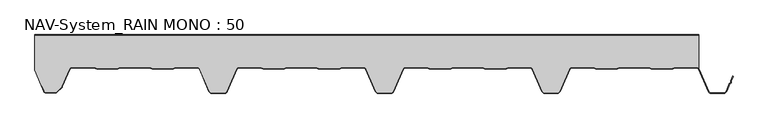
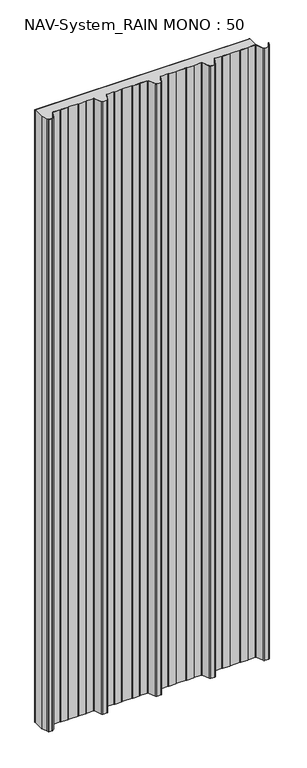
"""IFC4 building model written with IfcOpenShell, lengths in millimetres: plate geometry, NAV-System_RAIN MONO : 50."""

from ifc_helpers import new_model, si_unit, point, frame_2d, origin, origin_with_axes, place, context, project, spatial, polyline, circle_curve, trimmed, segment, composite_curve, outline, extrude, source, transform, mapped, element, save


def nav_system_rain_mono_50_79c97c6f(model_context):
    return source(origin(), model_context, "Body", "SweptSolid", [
        extrude(outline(polyline([(519.0, -0.8), (-478.0, -0.8), (-478.0, 0.0), (519.0, 0.0), (519.0, -0.8)])), origin_with_axes(), (0.0, 0.0, 1.0), 3000.0),
        extrude(outline(composite_curve([segment(trimmed(circle_curve(frame_2d((515.5898022, -54.0)), 4.8), [point((519.0, -50.6220493))], [point((515.5898022, -49.2))], True, "CARTESIAN"), True, "CONTINUOUS"), segment(polyline([(515.5898022, -49.2), (483.6922468, -49.2), (479.6508228, -50.7), (448.0723788, -50.6741102), (444.1768702, -49.2), (400.3589135, -49.2), (396.3174895, -50.7), (364.7390455, -50.6741102), (360.8435369, -49.2), (328.9416341, -49.2)]), True, "CONTINUOUS"), segment(trimmed(circle_curve(frame_2d((328.9416341, -54.0)), 4.8), [point((328.9416341, -49.2))], [point((324.5314363, -52.1052295))], True, "CARTESIAN"), True, "CONTINUOUS"), segment(polyline([(324.5314363, -52.1052295), (310.330878, -85.1579242)]), True, "CONTINUOUS"), segment(trimmed(circle_curve(frame_2d((306.4719549, -83.5)), 4.2), [point((310.330878, -85.1579242))], [point((306.4719549, -87.7))], False, "CARTESIAN"), True, "CONTINUOUS"), segment(polyline([(306.4719549, -87.7), (288.0594814, -87.7)]), True, "CONTINUOUS"), segment(trimmed(circle_curve(frame_2d((288.0594814, -83.5)), 4.2), [point((288.0594814, -87.7))], [point((284.2005583, -85.1579242))], False, "CARTESIAN"), True, "CONTINUOUS"), segment(polyline([(284.2005583, -85.1579242), (270.0, -52.1052295)]), True, "CONTINUOUS"), segment(trimmed(circle_curve(frame_2d((265.5898022, -54.0)), 4.8), [point((270.0, -52.1052295))], [point((265.5898022, -49.2))], True, "CARTESIAN"), True, "CONTINUOUS"), segment(polyline([(265.5898022, -49.2), (233.6922468, -49.2), (229.6508228, -50.7), (198.0723788, -50.6741102), (194.1768702, -49.2), (150.3589135, -49.2), (146.3174895, -50.7), (114.8074622, -50.7), (110.8435369, -49.2), (78.9416341, -49.2)]), True, "CONTINUOUS"), segment(trimmed(circle_curve(frame_2d((78.9416341, -54.0)), 4.8), [point((78.9416341, -49.2))], [point((74.5314363, -52.1052295))], True, "CARTESIAN"), True, "CONTINUOUS"), segment(polyline([(74.5314363, -52.1052295), (60.330878, -85.1579242)]), True, "CONTINUOUS"), segment(trimmed(circle_curve(frame_2d((56.4719549, -83.5)), 4.2), [point((60.330878, -85.1579242))], [point((56.4719549, -87.7))], False, "CARTESIAN"), True, "CONTINUOUS"), segment(polyline([(56.4719549, -87.7), (38.0594814, -87.7)]), True, "CONTINUOUS"), segment(trimmed(circle_curve(frame_2d((38.0594814, -83.5)), 4.2), [point((38.0594814, -87.7))], [point((34.2005583, -85.1579242))], False, "CARTESIAN"), True, "CONTINUOUS"), segment(polyline([(34.2005583, -85.1579242), (20.0, -52.1052295)]), True, "CONTINUOUS"), segment(trimmed(circle_curve(frame_2d((15.5898022, -54.0)), 4.8), [point((20.0, -52.1052295))], [point((15.5898022, -49.2))], True, "CARTESIAN"), True, "CONTINUOUS"), segment(polyline([(15.5898022, -49.2), (-16.3077532, -49.2), (-20.3491772, -50.7), (-51.9276212, -50.6741102), (-55.8231298, -49.2), (-99.6410865, -49.2), (-103.6825105, -50.7), (-135.1925378, -50.7), (-139.1564631, -49.2), (-171.0583659, -49.2)]), True, "CONTINUOUS"), segment(trimmed(circle_curve(frame_2d((-171.0583659, -54.0)), 4.8), [point((-171.0583659, -49.2))], [point((-175.4685637, -52.1052295))], True, "CARTESIAN"), True, "CONTINUOUS"), segment(polyline([(-175.4685637, -52.1052295), (-189.669122, -85.1579242)]), True, "CONTINUOUS"), segment(trimmed(circle_curve(frame_2d((-193.5280451, -83.5)), 4.2), [point((-189.669122, -85.1579242))], [point((-193.5280451, -87.7))], False, "CARTESIAN"), True, "CONTINUOUS"), segment(polyline([(-193.5280451, -87.7), (-211.9405186, -87.7)]), True, "CONTINUOUS"), segment(trimmed(circle_curve(frame_2d((-211.9405186, -83.5)), 4.2), [point((-211.9405186, -87.7))], [point((-215.7994417, -85.1579242))], False, "CARTESIAN"), True, "CONTINUOUS"), segment(polyline([(-215.7994417, -85.1579242), (-230.0, -52.1052295)]), True, "CONTINUOUS"), segment(trimmed(circle_curve(frame_2d((-234.4101978, -54.0)), 4.8), [point((-230.0, -52.1052295))], [point((-234.4101978, -49.2))], True, "CARTESIAN"), True, "CONTINUOUS"), segment(polyline([(-234.4101978, -49.2), (-266.3077532, -49.2), (-270.3491772, -50.7), (-301.9276212, -50.6741102), (-305.8231298, -49.2), (-349.6410865, -49.2), (-353.6825105, -50.7), (-385.1925378, -50.7), (-389.1564631, -49.2), (-421.9290751, -49.2)]), True, "CONTINUOUS"), segment(trimmed(circle_curve(frame_2d((-421.9290751, -54.0)), 4.8), [point((-421.9290751, -49.2))], [point((-426.3392729, -52.1052295))], True, "CARTESIAN"), True, "CONTINUOUS"), segment(polyline([(-426.3392729, -52.1052295), (-437.4245651, -77.9069459)]), True, "CONTINUOUS"), segment(trimmed(circle_curve(frame_2d((-441.2834882, -76.2490217)), 4.2), [point((-437.4245651, -77.9069459))], [point((-438.3136397, -79.2188701))], False, "CARTESIAN"), True, "CONTINUOUS"), segment(polyline([(-438.3136397, -79.2188701), (-444.764618, -85.6698485)]), True, "CONTINUOUS"), segment(trimmed(circle_curve(frame_2d((-447.7344665, -82.7)), 4.2), [point((-444.764618, -85.6698485))], [point((-447.7344665, -86.9))], False, "CARTESIAN"), True, "CONTINUOUS"), segment(polyline([(-447.7344665, -86.9), (-461.1405186, -86.9)]), True, "CONTINUOUS"), segment(trimmed(circle_curve(frame_2d((-461.1405186, -83.7)), 3.2), [point((-461.1405186, -86.9))], [point((-464.1022482, -84.9116756))], False, "CARTESIAN"), True, "CONTINUOUS"), segment(polyline([(-464.1022482, -84.9116756), (-467.6292254, -76.2905951), (-468.3696578, -76.593514), (-478.0, -53.053822), (-478.0, -0.8), (519.0, -0.8), (519.0, -50.6220493)]), True, "CONTINUOUS")], self_intersect=False)), origin_with_axes(), (0.0, 0.0, 1.0), 3000.0),
        extrude(outline(composite_curve([segment(polyline([(-464.8430228, -85.2145945), (-468.37, -76.593514), (-467.6295676, -76.2905951), (-464.1025904, -84.9116756)]), True, "CONTINUOUS"), segment(trimmed(circle_curve(frame_2d((-461.1408608, -83.7)), 3.2), [point((-464.1025904, -84.9116756))], [point((-461.1408608, -86.9))], True, "CARTESIAN"), True, "CONTINUOUS"), segment(polyline([(-461.1408608, -86.9), (-447.7348087, -86.9)]), True, "CONTINUOUS"), segment(trimmed(circle_curve(frame_2d((-447.7348087, -82.7)), 4.2), [point((-447.7348087, -86.9))], [point((-444.7649603, -85.6698485))], True, "CARTESIAN"), True, "CONTINUOUS"), segment(polyline([(-444.7649603, -85.6698485), (-438.3139819, -79.2188701)]), True, "CONTINUOUS"), segment(trimmed(circle_curve(frame_2d((-441.2838304, -76.2490217)), 4.2), [point((-438.3139819, -79.2188701))], [point((-437.4249073, -77.9069459))], True, "CARTESIAN"), True, "CONTINUOUS"), segment(polyline([(-437.4249073, -77.9069459), (-426.3396151, -52.1052295)]), True, "CONTINUOUS"), segment(trimmed(circle_curve(frame_2d((-421.9294173, -54.0)), 4.8), [point((-426.3396151, -52.1052295))], [point((-421.9294173, -49.2))], False, "CARTESIAN"), True, "CONTINUOUS"), segment(polyline([(-421.9294173, -49.2), (-389.1568054, -49.2), (-385.19288, -50.7), (-353.6828527, -50.7), (-349.6414287, -49.2), (-305.8234721, -49.2), (-301.9279634, -50.6741102), (-270.3495194, -50.7), (-266.3080954, -49.2), (-234.41054, -49.2)]), True, "CONTINUOUS"), segment(trimmed(circle_curve(frame_2d((-234.41054, -54.0)), 4.8), [point((-234.41054, -49.2))], [point((-230.0003422, -52.1052295))], False, "CARTESIAN"), True, "CONTINUOUS"), segment(polyline([(-230.0003422, -52.1052295), (-215.7997839, -85.1579242)]), True, "CONTINUOUS"), segment(trimmed(circle_curve(frame_2d((-211.9408608, -83.5)), 4.2), [point((-215.7997839, -85.1579242))], [point((-211.9408608, -87.7))], True, "CARTESIAN"), True, "CONTINUOUS"), segment(polyline([(-211.9408608, -87.7), (-193.5283873, -87.7)]), True, "CONTINUOUS"), segment(trimmed(circle_curve(frame_2d((-193.5283873, -83.5)), 4.2), [point((-193.5283873, -87.7))], [point((-189.6694642, -85.1579242))], True, "CARTESIAN"), True, "CONTINUOUS"), segment(polyline([(-189.6694642, -85.1579242), (-175.4689059, -52.1052295)]), True, "CONTINUOUS"), segment(trimmed(circle_curve(frame_2d((-171.0587081, -54.0)), 4.8), [point((-175.4689059, -52.1052295))], [point((-171.0587081, -49.2))], False, "CARTESIAN"), True, "CONTINUOUS"), segment(polyline([(-171.0587081, -49.2), (-139.1568054, -49.2), (-135.2612967, -50.6741102), (-103.6828527, -50.7), (-99.6414287, -49.2), (-55.8234721, -49.2), (-51.9279634, -50.6741102), (-20.3495194, -50.7), (-16.3080954, -49.2), (15.58946, -49.2)]), True, "CONTINUOUS"), segment(trimmed(circle_curve(frame_2d((15.58946, -54.0)), 4.8), [point((15.58946, -49.2))], [point((19.9996578, -52.1052295))], False, "CARTESIAN"), True, "CONTINUOUS"), segment(polyline([(19.9996578, -52.1052295), (34.2002161, -85.1579242)]), True, "CONTINUOUS"), segment(trimmed(circle_curve(frame_2d((38.0591392, -83.5)), 4.2), [point((34.2002161, -85.1579242))], [point((38.0591392, -87.7))], True, "CARTESIAN"), True, "CONTINUOUS"), segment(polyline([(38.0591392, -87.7), (56.4716127, -87.7)]), True, "CONTINUOUS"), segment(trimmed(circle_curve(frame_2d((56.4716127, -83.5)), 4.2), [point((56.4716127, -87.7))], [point((60.3305358, -85.1579242))], True, "CARTESIAN"), True, "CONTINUOUS"), segment(polyline([(60.3305358, -85.1579242), (74.5310941, -52.1052295)]), True, "CONTINUOUS"), segment(trimmed(circle_curve(frame_2d((78.9412919, -54.0)), 4.8), [point((74.5310941, -52.1052295))], [point((78.9412919, -49.2))], False, "CARTESIAN"), True, "CONTINUOUS"), segment(polyline([(78.9412919, -49.2), (110.8431946, -49.2), (114.7387033, -50.6741102), (146.3171473, -50.7), (150.3585713, -49.2), (194.1765279, -49.2), (198.0720366, -50.6741102), (229.6504806, -50.7), (233.6919046, -49.2), (265.58946, -49.2)]), True, "CONTINUOUS"), segment(trimmed(circle_curve(frame_2d((265.58946, -54.0)), 4.8), [point((265.58946, -49.2))], [point((269.9996578, -52.1052295))], False, "CARTESIAN"), True, "CONTINUOUS"), segment(polyline([(269.9996578, -52.1052295), (284.2002161, -85.1579242)]), True, "CONTINUOUS"), segment(trimmed(circle_curve(frame_2d((288.0591392, -83.5)), 4.2), [point((284.2002161, -85.1579242))], [point((288.0591392, -87.7))], True, "CARTESIAN"), True, "CONTINUOUS"), segment(polyline([(288.0591392, -87.7), (306.4716127, -87.7)]), True, "CONTINUOUS"), segment(trimmed(circle_curve(frame_2d((306.4716127, -83.5)), 4.2), [point((306.4716127, -87.7))], [point((310.3305358, -85.1579242))], True, "CARTESIAN"), True, "CONTINUOUS"), segment(polyline([(310.3305358, -85.1579242), (324.5310941, -52.1052295)]), True, "CONTINUOUS"), segment(trimmed(circle_curve(frame_2d((328.9412919, -54.0)), 4.8), [point((324.5310941, -52.1052295))], [point((328.9412919, -49.2))], False, "CARTESIAN"), True, "CONTINUOUS"), segment(polyline([(328.9412919, -49.2), (360.8431946, -49.2), (364.7387033, -50.6741102), (396.3171473, -50.7), (400.3585713, -49.2), (444.1765279, -49.2), (448.0720366, -50.6741102), (479.6504806, -50.7), (483.6919046, -49.2), (515.58946, -49.2)]), True, "CONTINUOUS"), segment(trimmed(circle_curve(frame_2d((515.58946, -54.0)), 4.8), [point((515.58946, -49.2))], [point((519.9996578, -52.1052295))], False, "CARTESIAN"), True, "CONTINUOUS"), segment(polyline([(519.9996578, -52.1052295), (534.2002161, -85.1579242)]), True, "CONTINUOUS"), segment(trimmed(circle_curve(frame_2d((538.0591392, -83.5)), 4.2), [point((534.2002161, -85.1579242))], [point((538.0591392, -87.7))], True, "CARTESIAN"), True, "CONTINUOUS"), segment(polyline([(538.0591392, -87.7), (556.4716127, -87.7)]), True, "CONTINUOUS"), segment(trimmed(circle_curve(frame_2d((556.4716127, -83.5)), 4.2), [point((556.4716127, -87.7))], [point((560.3305358, -85.1579242))], True, "CARTESIAN"), True, "CONTINUOUS"), segment(polyline([(560.3305358, -85.1579242), (565.2356202, -73.741031), (567.1121268, -72.0654564), (567.0358547, -69.5508717), (570.0831709, -62.458051), (570.8182039, -62.7738461), (567.8408612, -69.703799), (567.9230626, -72.4138642), (565.9006789, -74.2196957), (561.0655687, -85.4737193)]), True, "CONTINUOUS"), segment(trimmed(circle_curve(frame_2d((556.4716127, -83.5)), 5.0), [point((561.0655687, -85.4737193))], [point((556.4716127, -88.5))], False, "CARTESIAN"), True, "CONTINUOUS"), segment(polyline([(556.4716127, -88.5), (538.0591392, -88.5)]), True, "CONTINUOUS"), segment(trimmed(circle_curve(frame_2d((538.0591392, -83.5)), 5.0), [point((538.0591392, -88.5))], [point((533.4651831, -85.4737193))], False, "CARTESIAN"), True, "CONTINUOUS"), segment(polyline([(533.4651831, -85.4737193), (519.2646248, -52.4210246)]), True, "CONTINUOUS"), segment(trimmed(circle_curve(frame_2d((515.58946, -54.0)), 4.0), [point((519.2646248, -52.4210246))], [point((515.58946, -50.0))], True, "CARTESIAN"), True, "CONTINUOUS"), segment(polyline([(515.58946, -50.0), (483.8338601, -50.0), (479.8699347, -51.5), (447.9941505, -51.5), (444.0302251, -50.0), (400.5005268, -50.0), (396.5366014, -51.5), (364.6608172, -51.5), (360.6968918, -50.0), (328.9412919, -50.0)]), True, "CONTINUOUS"), segment(trimmed(circle_curve(frame_2d((328.9412919, -54.0)), 4.0), [point((328.9412919, -50.0))], [point((325.2661271, -52.4210246))], True, "CARTESIAN"), True, "CONTINUOUS"), segment(polyline([(325.2661271, -52.4210246), (311.0655687, -85.4737193)]), True, "CONTINUOUS"), segment(trimmed(circle_curve(frame_2d((306.4716127, -83.5)), 5.0), [point((311.0655687, -85.4737193))], [point((306.4716127, -88.5))], False, "CARTESIAN"), True, "CONTINUOUS"), segment(polyline([(306.4716127, -88.5), (288.0591392, -88.5)]), True, "CONTINUOUS"), segment(trimmed(circle_curve(frame_2d((288.0591392, -83.5)), 5.0), [point((288.0591392, -88.5))], [point((283.4651831, -85.4737193))], False, "CARTESIAN"), True, "CONTINUOUS"), segment(polyline([(283.4651831, -85.4737193), (269.2646248, -52.4210246)]), True, "CONTINUOUS"), segment(trimmed(circle_curve(frame_2d((265.58946, -54.0)), 4.0), [point((269.2646248, -52.4210246))], [point((265.58946, -50.0))], True, "CARTESIAN"), True, "CONTINUOUS"), segment(polyline([(265.58946, -50.0), (233.8338601, -50.0), (229.8699347, -51.5), (197.9941505, -51.5), (194.0302251, -50.0), (150.5005268, -50.0), (146.5366014, -51.5), (114.6608172, -51.5), (110.6968918, -50.0), (78.9412919, -50.0)]), True, "CONTINUOUS"), segment(trimmed(circle_curve(frame_2d((78.9412919, -54.0)), 4.0), [point((78.9412919, -50.0))], [point((75.2661271, -52.4210246))], True, "CARTESIAN"), True, "CONTINUOUS"), segment(polyline([(75.2661271, -52.4210246), (61.0655687, -85.4737193)]), True, "CONTINUOUS"), segment(trimmed(circle_curve(frame_2d((56.4716127, -83.5)), 5.0), [point((61.0655687, -85.4737193))], [point((56.4716127, -88.5))], False, "CARTESIAN"), True, "CONTINUOUS"), segment(polyline([(56.4716127, -88.5), (38.0591392, -88.5)]), True, "CONTINUOUS"), segment(trimmed(circle_curve(frame_2d((38.0591392, -83.5)), 5.0), [point((38.0591392, -88.5))], [point((33.4651831, -85.4737193))], False, "CARTESIAN"), True, "CONTINUOUS"), segment(polyline([(33.4651831, -85.4737193), (19.2646248, -52.4210246)]), True, "CONTINUOUS"), segment(trimmed(circle_curve(frame_2d((15.58946, -54.0)), 4.0), [point((19.2646248, -52.4210246))], [point((15.58946, -50.0))], True, "CARTESIAN"), True, "CONTINUOUS"), segment(polyline([(15.58946, -50.0), (-16.1661399, -50.0), (-20.1300653, -51.5), (-52.0058495, -51.5), (-55.9697749, -50.0), (-99.4994732, -50.0), (-103.4633986, -51.5), (-135.3391828, -51.5), (-139.3031082, -50.0), (-171.0587081, -50.0)]), True, "CONTINUOUS"), segment(trimmed(circle_curve(frame_2d((-171.0587081, -54.0)), 4.0), [point((-171.0587081, -50.0))], [point((-174.7338729, -52.4210246))], True, "CARTESIAN"), True, "CONTINUOUS"), segment(polyline([(-174.7338729, -52.4210246), (-188.9344313, -85.4737193)]), True, "CONTINUOUS"), segment(trimmed(circle_curve(frame_2d((-193.5283873, -83.5)), 5.0), [point((-188.9344313, -85.4737193))], [point((-193.5283873, -88.5))], False, "CARTESIAN"), True, "CONTINUOUS"), segment(polyline([(-193.5283873, -88.5), (-211.9408608, -88.5)]), True, "CONTINUOUS"), segment(trimmed(circle_curve(frame_2d((-211.9408608, -83.5)), 5.0), [point((-211.9408608, -88.5))], [point((-216.5348169, -85.4737193))], False, "CARTESIAN"), True, "CONTINUOUS"), segment(polyline([(-216.5348169, -85.4737193), (-230.7353752, -52.4210246)]), True, "CONTINUOUS"), segment(trimmed(circle_curve(frame_2d((-234.41054, -54.0)), 4.0), [point((-230.7353752, -52.4210246))], [point((-234.41054, -50.0))], True, "CARTESIAN"), True, "CONTINUOUS"), segment(polyline([(-234.41054, -50.0), (-266.1661399, -50.0), (-270.1300653, -51.5), (-302.0058495, -51.5), (-305.9697749, -50.0), (-349.4994732, -50.0), (-353.4633986, -51.5), (-385.3391828, -51.5), (-389.3031082, -50.0), (-421.9294173, -50.0)]), True, "CONTINUOUS"), segment(trimmed(circle_curve(frame_2d((-421.9294173, -54.0)), 4.0), [point((-421.9294173, -50.0))], [point((-425.6045822, -52.4210246))], True, "CARTESIAN"), True, "CONTINUOUS"), segment(polyline([(-425.6045822, -52.4210246), (-436.6898744, -78.2227409)]), True, "CONTINUOUS"), segment(trimmed(circle_curve(frame_2d((-441.2838304, -76.2490217)), 5.0), [point((-436.6898744, -78.2227409))], [point((-437.7482965, -79.7845556))], False, "CARTESIAN"), True, "CONTINUOUS"), segment(polyline([(-437.7482965, -79.7845556), (-444.1992748, -86.2355339)]), True, "CONTINUOUS"), segment(trimmed(circle_curve(frame_2d((-447.7348087, -82.7)), 5.0), [point((-444.1992748, -86.2355339))], [point((-447.7348087, -87.7))], False, "CARTESIAN"), True, "CONTINUOUS"), segment(polyline([(-447.7348087, -87.7), (-461.1408608, -87.7)]), True, "CONTINUOUS"), segment(trimmed(circle_curve(frame_2d((-461.1408608, -83.7)), 4.0), [point((-461.1408608, -87.7))], [point((-464.8430228, -85.2145945))], False, "CARTESIAN"), True, "CONTINUOUS")], self_intersect=False)), origin_with_axes(), (0.0, 0.0, 1.0), 3000.0),
    ])


if __name__ == "__main__":
    model = new_model("IFC4")
    model_context = context("Model", 3, world=origin())
    ifc_project = project(units=[si_unit("LENGTHUNIT", "METRE", prefix="MILLI")], contexts=[model_context])
    site = spatial("IfcSite", under=ifc_project)
    building = spatial("IfcBuilding", under=site)
    placement = place(None, origin())
    nav_system_rain_mono_50_shape = nav_system_rain_mono_50_79c97c6f(model_context)
    element("IfcPlate", 1, ObjectType="NAV-System_RAIN MONO : 50", at=placement, inside=building, context=model_context, shape_type="MappedRepresentation", body=[
        mapped(nav_system_rain_mono_50_shape, transform((0.0, 0.0, 0.0), x_axis=(1.0, 0.0, 0.0), y_axis=(0.0, 1.0, 0.0), z_axis=(0.0, 0.0, 1.0))),
    ])
    save(model, "model.ifc")
